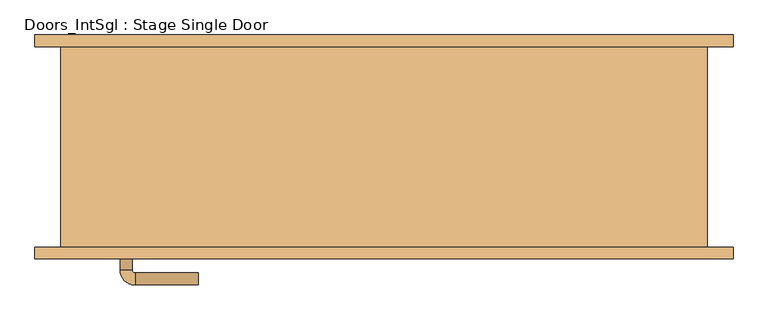
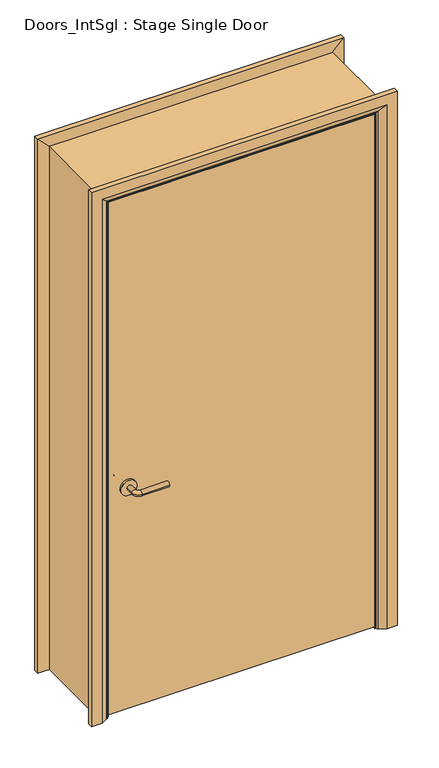
"""IFC4 building model written with IfcOpenShell, lengths in millimetres: door geometry, Doors_IntSgl : Stage Single Door."""

from ifc_helpers import new_model, si_unit, point, frame, frame_2d, origin, place, context, project, spatial, polyline, circle_curve, ellipse_curve, trimmed, segment, composite_curve, outline, extrude, faceted_brep, source, transform, mapped, element, save
from ifc_brep_helpers import plane_surface, cylinder_surface, revolved_surface, advanced_brep


def doors_intsgl_stage_single_door_640e1647(model_context):
    return source(origin(), model_context, "Body", "SolidModel", [
        advanced_brep(
        [(-440.0, -120.8, 900.0), (-420.0, -120.8, 900.0), (-440.0, -90.8, 900.0), (-420.0, -90.8, 900.0), (-415.0, -85.8, 900.0), (-415.0, -65.8, 900.0), (-310.0, -65.8, 900.0), (-310.0, -85.8, 900.0)],
        [
            (0, 1, circle_curve(frame((-430.0, -120.8, 900.0), z_axis=(0.0, -1.0, 0.0), x_axis=(1.0, 0.0, 0.0)), 10.0)),
            (1, 0, circle_curve(frame((-430.0, -120.8, 900.0), z_axis=(0.0, -1.0, 0.0), x_axis=(1.0, 0.0, 0.0)), 10.0)),
            (0, 2),
            (2, 3, circle_curve(frame((-430.0, -90.8, 900.0), z_axis=(0.0, -1.0, 0.0), x_axis=(1.0, 0.0, 0.0)), 10.0)),
            (3, 1),
            (3, 2, circle_curve(frame((-430.0, -90.8, 900.0), z_axis=(0.0, -1.0, 0.0), x_axis=(1.0, 0.0, 0.0)), 10.0)),
            (4, 3, circle_curve(frame((-415.0, -90.8, 900.0), z_axis=(0.0, 0.0, 1.0), x_axis=(-1.0, 0.0, 0.0)), 5.0)),
            (2, 5, circle_curve(frame((-415.0, -90.8, 900.0), z_axis=(0.0, 0.0, -1.0), x_axis=(-1.0, 0.0, 0.0)), 25.0)),
            (5, 4, circle_curve(frame((-415.0, -75.8, 900.0), z_axis=(-1.0, 0.0, 0.0), x_axis=(0.0, -1.0, 0.0)), 10.0)),
            (4, 5, circle_curve(frame((-415.0, -75.8, 900.0), z_axis=(-1.0, 0.0, 0.0), x_axis=(0.0, -1.0, 0.0)), 10.0)),
            (6, 7, circle_curve(frame((-310.0, -75.8, 900.0), z_axis=(1.0, 0.0, 0.0), x_axis=(0.0, -1.0, 0.0)), 10.0)),
            (7, 6, circle_curve(frame((-310.0, -75.8, 900.0), z_axis=(1.0, 0.0, 0.0), x_axis=(0.0, -1.0, 0.0)), 10.0)),
            (5, 6),
            (7, 4),
        ],
        [
            plane_surface(frame((-430.0, -120.8, 900.0), z_axis=(0.0, -1.0, 0.0), x_axis=(0.0, 0.0, 1.0))),
            cylinder_surface(frame((-430.0, -120.8, 900.0), z_axis=(0.0, -1.0, 0.0), x_axis=(1.0, 0.0, 0.0)), 10.0),
            revolved_surface(trimmed(ellipse_curve(frame((-430.0, -90.8, 900.0), z_axis=(0.0, -1.0, 0.0), x_axis=(1.0, 0.0, 0.0)), 10.0, 10.0), [point((-440.0, -90.8, 900.0))], [point((-420.0, -90.8, 900.0))], True, "CARTESIAN"), (-415.0, -90.8, 900.0), (0.0, 0.0, -1.0)),
            revolved_surface(trimmed(ellipse_curve(frame((-430.0, -90.8, 900.0), z_axis=(0.0, -1.0, 0.0), x_axis=(1.0, 0.0, 0.0)), 10.0, 10.0), [point((-420.0, -90.8, 900.0))], [point((-440.0, -90.8, 900.0))], True, "CARTESIAN"), (-415.0, -90.8, 900.0), (0.0, 0.0, -1.0)),
            plane_surface(frame((-310.0, -75.8, 900.0), z_axis=(1.0, 0.0, 0.0), x_axis=(0.0, 0.0, 1.0))),
            cylinder_surface(frame((-415.0, -75.8, 900.0), z_axis=(-1.0, 0.0, 0.0), x_axis=(0.0, -1.0, 0.0)), 10.0),
        ],
        [
            (0, [[1, 2]]),
            (1, [[-1, 3, 4, 5]]),
            (1, [[-2, -5, 6, -3]]),
            (2, [[7, -4, 8, 9]]),
            (3, [[-8, -6, -7, 10]]),
            (4, [[11, 12]]),
            (5, [[-9, 13, -12, 14]]),
            (5, [[-10, -14, -11, -13]]),
        ],
    ),
        extrude(outline(composite_curve([segment(trimmed(circle_curve(frame_2d((900.0, -432.5)), 30.0), [point((900.0, -462.5))], [point((900.0, -402.5))], False, "CARTESIAN"), True, "CONTINUOUS"), segment(trimmed(circle_curve(frame_2d((900.0, -432.5)), 30.0), [point((900.0, -402.5))], [point((900.0, -462.5))], False, "CARTESIAN"), True, "CONTINUOUS")], self_intersect=False)), frame((0.0, -128.8, 0.0), z_axis=(0.0, 1.0, 0.0), x_axis=(0.0, 0.0, 1.0)), (0.0, 0.0, 1.0), 8.0),
        advanced_brep(
        [(-440.0, -174.8, 900.0), (-420.0, -174.8, 900.0), (-420.0, -204.8, 900.0), (-440.0, -204.8, 900.0), (-415.0, -209.8, 900.0), (-415.0, -229.8, 900.0), (-310.0, -229.8, 900.0), (-310.0, -209.8, 900.0)],
        [
            (0, 1, circle_curve(frame((-430.0, -174.8, 900.0), z_axis=(0.0, 1.0, 0.0), x_axis=(1.0, 0.0, 0.0)), 10.0)),
            (1, 0, circle_curve(frame((-430.0, -174.8, 900.0), z_axis=(0.0, 1.0, 0.0), x_axis=(1.0, 0.0, 0.0)), 10.0)),
            (1, 2),
            (2, 3, circle_curve(frame((-430.0, -204.8, 900.0), z_axis=(0.0, 1.0, 0.0), x_axis=(1.0, 0.0, 0.0)), 10.0)),
            (3, 0),
            (3, 2, circle_curve(frame((-430.0, -204.8, 900.0), z_axis=(0.0, 1.0, 0.0), x_axis=(1.0, 0.0, 0.0)), 10.0)),
            (4, 5, circle_curve(frame((-415.0, -219.8, 900.0), z_axis=(-1.0, 0.0, 0.0), x_axis=(0.0, 1.0, 0.0)), 10.0)),
            (5, 3, circle_curve(frame((-415.0, -204.8, 900.0), z_axis=(0.0, 0.0, -1.0), x_axis=(-1.0, 0.0, 0.0)), 25.0)),
            (2, 4, circle_curve(frame((-415.0, -204.8, 900.0), z_axis=(0.0, 0.0, 1.0), x_axis=(-1.0, 0.0, 0.0)), 5.0)),
            (5, 4, circle_curve(frame((-415.0, -219.8, 900.0), z_axis=(-1.0, 0.0, 0.0), x_axis=(0.0, 1.0, 0.0)), 10.0)),
            (6, 7, circle_curve(frame((-310.0, -219.8, 900.0), z_axis=(1.0, 0.0, 0.0), x_axis=(0.0, 1.0, 0.0)), 10.0)),
            (7, 6, circle_curve(frame((-310.0, -219.8, 900.0), z_axis=(1.0, 0.0, 0.0), x_axis=(0.0, 1.0, 0.0)), 10.0)),
            (4, 7),
            (6, 5),
        ],
        [
            plane_surface(frame((-430.0, -174.8, 900.0), z_axis=(0.0, 1.0, 0.0), x_axis=(0.0, 0.0, 1.0))),
            cylinder_surface(frame((-430.0, -174.8, 900.0), z_axis=(0.0, 1.0, 0.0), x_axis=(1.0, 0.0, 0.0)), 10.0),
            revolved_surface(trimmed(ellipse_curve(frame((-430.0, -204.8, 900.0), z_axis=(0.0, -1.0, 0.0), x_axis=(1.0, 0.0, 0.0)), 10.0, 10.0), [point((-440.0, -204.8, 900.0))], [point((-420.0, -204.8, 900.0))], True, "CARTESIAN"), (-415.0, -204.8, 900.0), (0.0, 0.0, -1.0)),
            revolved_surface(trimmed(ellipse_curve(frame((-430.0, -204.8, 900.0), z_axis=(0.0, -1.0, 0.0), x_axis=(1.0, 0.0, 0.0)), 10.0, 10.0), [point((-420.0, -204.8, 900.0))], [point((-440.0, -204.8, 900.0))], True, "CARTESIAN"), (-415.0, -204.8, 900.0), (0.0, 0.0, -1.0)),
            plane_surface(frame((-310.0, -219.8, 900.0), z_axis=(1.0, 0.0, 0.0), x_axis=(0.0, 0.0, 1.0))),
            cylinder_surface(frame((-415.0, -219.8, 900.0), z_axis=(-1.0, 0.0, 0.0), x_axis=(0.0, 1.0, 0.0)), 10.0),
        ],
        [
            (0, [[1, 2]]),
            (1, [[3, 4, 5, -2]]),
            (1, [[-5, 6, -3, -1]]),
            (2, [[7, 8, -4, 9]]),
            (3, [[10, -9, -6, -8]]),
            (4, [[11, 12]]),
            (5, [[13, -11, 14, -7]]),
            (5, [[-14, -12, -13, -10]]),
        ],
    ),
        extrude(outline(composite_curve([segment(trimmed(circle_curve(frame_2d((900.0, -432.5)), 30.0), [point((900.0, -462.5))], [point((900.0, -402.5))], False, "CARTESIAN"), True, "CONTINUOUS"), segment(trimmed(circle_curve(frame_2d((900.0, -432.5)), 30.0), [point((900.0, -402.5))], [point((900.0, -462.5))], False, "CARTESIAN"), True, "CONTINUOUS")], self_intersect=False)), frame((0.0, -174.8, 0.0), z_axis=(0.0, 1.0, 0.0), x_axis=(0.0, 0.0, 1.0)), (0.0, 0.0, 1.0), 8.0),
        extrude(outline(polyline([(505.0, -128.8), (505.0, -166.8), (-505.0, -166.8), (-505.0, -128.8), (505.0, -128.8)])), frame((0.0, 0.0, 8.0), z_axis=(0.0, 0.0, 1.0), x_axis=(1.0, 0.0, 0.0)), (0.0, 0.0, 1.0), 2060.0),
        advanced_brep(
        [(582.0, -186.8, 0.0), (542.0, -186.8, 0.0), (516.0, -172.8, 0.0), (512.0, -166.8, 0.0), (582.0, -166.8, 0.0), (582.0, -166.8, 2145.0), (582.0, -186.8, 2145.0), (512.0, -166.8, 2075.0), (-512.0, -166.8, 2075.0), (-512.0, -166.8, 0.0), (-582.0, -166.8, 0.0), (-582.0, -166.8, 2145.0), (516.0, -172.8, 2079.0), (542.0, -186.8, 2105.0), (-582.0, -186.8, 2145.0), (-582.0, -186.8, 0.0), (-542.0, -186.8, 0.0), (-542.0, -186.8, 2105.0), (-516.0, -172.8, 0.0), (-516.0, -172.8, 2079.0)],
        [
            (0, 1),
            (1, 2),
            (2, 3, circle_curve(frame((520.0, -165.8, 0.0), z_axis=(0.0, 0.0, -1.0), x_axis=(1.0, 0.0, 0.0)), 8.0622577)),
            (3, 4),
            (4, 0),
            (4, 5),
            (5, 6),
            (6, 0),
            (3, 7),
            (7, 8),
            (8, 9),
            (9, 10),
            (10, 11),
            (11, 5),
            (2, 12),
            (12, 7, ellipse_curve(frame((520.0, -165.8, 2083.0), z_axis=(0.7071067811865475, 0.0, -0.7071067811865475), x_axis=(-0.7071067811865474, 0.0, -0.7071067811865476)), 11.4017543, 8.0622577)),
            (1, 13),
            (13, 12),
            (6, 14),
            (14, 15),
            (15, 16),
            (16, 17),
            (17, 13),
            (10, 15),
            (14, 11),
            (9, 18, circle_curve(frame((-520.0, -165.8, 0.0), z_axis=(0.0, 0.0, -1.0), x_axis=(-1.0, 0.0, 0.0)), 8.0622577)),
            (18, 16),
            (19, 18),
            (8, 19, ellipse_curve(frame((-520.0, -165.8, 2083.0), z_axis=(-0.7071067811865475, 0.0, -0.7071067811865475), x_axis=(-0.7071067811865474, 0.0, 0.7071067811865476)), 11.4017543, 8.0622577)),
            (19, 17),
            (12, 19),
        ],
        [
            plane_surface(frame((512.0, -166.8, 0.0), z_axis=(0.0, 0.0, -1.0), x_axis=(0.0, 1.0, 0.0))),
            plane_surface(frame((582.0, -186.8, 0.0), z_axis=(1.0, 0.0, 0.0), x_axis=(0.0, 0.0, 1.0))),
            plane_surface(frame((582.0, -166.8, 0.0), z_axis=(0.0, 1.0, 0.0), x_axis=(0.0, 0.0, 1.0))),
            cylinder_surface(frame((520.0, -165.8, 0.0), z_axis=(0.0, 0.0, -1.0), x_axis=(1.0, 0.0, 0.0)), 8.0622577),
            plane_surface(frame((516.0, -172.8, 0.0), z_axis=(-0.4740998230350126, -0.880471099922178, 0.0), x_axis=(0.0, 0.0, 1.0))),
            plane_surface(frame((542.0, -186.8, 0.0), z_axis=(0.0, -1.0, 0.0), x_axis=(0.0, 0.0, 1.0))),
            plane_surface(frame((-582.0, -186.8, 2145.0), z_axis=(-1.0, 0.0, 0.0), x_axis=(0.0, 0.0, -1.0))),
            plane_surface(frame((-512.0, -166.8, 0.0), z_axis=(0.0, 0.0, -1.0), x_axis=(0.0, 1.0, 0.0))),
            cylinder_surface(frame((-520.0, -165.8, 2075.0), z_axis=(0.0, 0.0, 1.0), x_axis=(-1.0, 0.0, 0.0)), 8.0622577),
            plane_surface(frame((-516.0, -172.8, 2079.0), z_axis=(0.47409982303501824, -0.8804710999221749, 0.0), x_axis=(0.0, 0.0, -1.0))),
            plane_surface(frame((582.0, -186.8, 2145.0), z_axis=(0.0, 0.0, 1.0), x_axis=(-1.0, 0.0, 0.0))),
            cylinder_surface(frame((512.0, -165.8, 2083.0), z_axis=(1.0, 0.0, 0.0), x_axis=(0.0, 0.0, 1.0)), 8.0622577),
            plane_surface(frame((516.0, -172.8, 2079.0), z_axis=(0.0, -0.8804710999221764, -0.4740998230350154), x_axis=(-1.0, 0.0, 0.0))),
        ],
        [
            (0, [[1, 2, 3, 4, 5]]),
            (1, [[6, 7, 8, -5]]),
            (2, [[9, 10, 11, 12, 13, 14, -6, -4]]),
            (3, [[15, 16, -9, -3]]),
            (4, [[17, 18, -15, -2]]),
            (5, [[-8, 19, 20, 21, 22, 23, -17, -1]]),
            (6, [[-13, 24, -20, 25]]),
            (7, [[-24, -12, 26, 27, -21]]),
            (8, [[28, -26, -11, 29]]),
            (9, [[-22, -27, -28, 30]]),
            (10, [[-14, -25, -19, -7]]),
            (11, [[31, -29, -10, -16]]),
            (12, [[-23, -30, -31, -18]]),
        ],
    ),
        extrude(outline(polyline([(0.0, -488.0), (2051.0, -488.0), (2051.0, 488.0), (0.0, 488.0), (0.0, 507.0), (2070.0, 507.0), (2070.0, -507.0), (0.0, -507.0), (0.0, -488.0)])), frame((0.0, -126.8, 0.0), z_axis=(0.0, 1.0, 0.0), x_axis=(0.0, 0.0, 1.0)), (0.0, 0.0, 1.0), 32.0),
        advanced_brep(
        [(-582.0, 186.8, 0.0), (-542.0, 186.8, 0.0), (-516.0, 172.8, 0.0), (-512.0, 166.8, 0.0), (-582.0, 166.8, 0.0), (-582.0, 166.8, 2145.0), (-582.0, 186.8, 2145.0), (-512.0, 166.8, 2075.0), (-516.0, 172.8, 2079.0), (-542.0, 186.8, 2105.0), (582.0, 186.8, 0.0), (582.0, 166.8, 0.0), (512.0, 166.8, 0.0), (516.0, 172.8, 0.0), (542.0, 186.8, 0.0), (582.0, 186.8, 2145.0), (542.0, 186.8, 2105.0), (516.0, 172.8, 2079.0), (512.0, 166.8, 2075.0), (582.0, 166.8, 2145.0)],
        [
            (0, 1),
            (1, 2),
            (2, 3, circle_curve(frame((-520.0, 165.8, 0.0), z_axis=(0.0, 0.0, -1.0), x_axis=(-1.0, 0.0, 0.0)), 8.0622577)),
            (3, 4),
            (4, 0),
            (4, 5),
            (5, 6),
            (6, 0),
            (3, 7),
            (7, 5),
            (2, 8),
            (8, 7, ellipse_curve(frame((-520.0, 165.8, 2083.0), z_axis=(-0.7071067811865475, 0.0, -0.7071067811865475), x_axis=(0.7071067811865474, 0.0, -0.7071067811865476)), 11.4017543, 8.0622577)),
            (1, 9),
            (9, 8),
            (6, 9),
            (10, 11),
            (11, 12),
            (12, 13, circle_curve(frame((520.0, 165.8, 0.0), z_axis=(0.0, 0.0, -1.0), x_axis=(1.0, 0.0, 0.0)), 8.0622577)),
            (13, 14),
            (14, 10),
            (15, 10),
            (14, 16),
            (16, 15),
            (13, 17),
            (17, 16),
            (12, 18),
            (18, 17, ellipse_curve(frame((520.0, 165.8, 2083.0), z_axis=(0.7071067811865475, 0.0, -0.7071067811865475), x_axis=(0.7071067811865474, 0.0, 0.7071067811865476)), 11.4017543, 8.0622577)),
            (11, 19),
            (19, 18),
            (15, 19),
            (5, 19),
            (15, 6),
            (7, 18),
            (8, 17),
            (9, 16),
        ],
        [
            plane_surface(frame((-512.0, 239.6010989, 0.0), z_axis=(0.0, 0.0, -1.0), x_axis=(1.0, 0.0, 0.0))),
            plane_surface(frame((-582.0, 186.8, 0.0), z_axis=(-1.0, 0.0, 0.0), x_axis=(0.0, 0.0, 1.0))),
            plane_surface(frame((-582.0, 166.8, 0.0), z_axis=(0.0, -1.0, 0.0), x_axis=(0.0, 0.0, 1.0))),
            cylinder_surface(frame((-520.0, 165.8, 0.0), z_axis=(0.0, 0.0, -1.0), x_axis=(-1.0, 0.0, 0.0)), 8.0622577),
            plane_surface(frame((-516.0, 172.8, 0.0), z_axis=(0.4740998230350183, 0.8804710999221749, 0.0), x_axis=(0.0, 0.0, 1.0))),
            plane_surface(frame((-542.0, 186.8, 0.0), z_axis=(0.0, 1.0, 0.0), x_axis=(0.0, 0.0, 1.0))),
            plane_surface(frame((512.0, 239.6010989, 0.0), z_axis=(0.0, 0.0, -1.0), x_axis=(-1.0, 0.0, 0.0))),
            plane_surface(frame((542.0, 186.8, 2105.0), z_axis=(0.0, 1.0, 0.0), x_axis=(0.0, 0.0, -1.0))),
            plane_surface(frame((516.0, 172.8, 2079.0), z_axis=(-0.4740998230350183, 0.8804710999221749, 0.0), x_axis=(0.0, 0.0, -1.0))),
            cylinder_surface(frame((520.0, 165.8, 2075.0), z_axis=(0.0, 0.0, 1.0), x_axis=(1.0, 0.0, 0.0)), 8.0622577),
            plane_surface(frame((582.0, 166.8, 2145.0), z_axis=(0.0, -1.0, 0.0), x_axis=(0.0, 0.0, -1.0))),
            plane_surface(frame((582.0, 186.8, 2145.0), z_axis=(1.0, 0.0, 0.0), x_axis=(0.0, 0.0, -1.0))),
            plane_surface(frame((-582.0, 186.8, 2145.0), z_axis=(0.0, 0.0, 1.0), x_axis=(1.0, 0.0, 0.0))),
            plane_surface(frame((-582.0, 166.8, 2145.0), z_axis=(0.0, -1.0, 0.0), x_axis=(1.0, 0.0, 0.0))),
            cylinder_surface(frame((-512.0, 165.8, 2083.0), z_axis=(-1.0, 0.0, 0.0), x_axis=(0.0, 0.0, 1.0)), 8.0622577),
            plane_surface(frame((-516.0, 172.8, 2079.0), z_axis=(0.0, 0.8804710999221749, -0.4740998230350183), x_axis=(1.0, 0.0, 0.0))),
            plane_surface(frame((-542.0, 186.8, 2105.0), z_axis=(0.0, 1.0, 0.0), x_axis=(1.0, 0.0, 0.0))),
        ],
        [
            (0, [[1, 2, 3, 4, 5]]),
            (1, [[6, 7, 8, -5]]),
            (2, [[9, 10, -6, -4]]),
            (3, [[11, 12, -9, -3]]),
            (4, [[13, 14, -11, -2]]),
            (5, [[-8, 15, -13, -1]]),
            (6, [[16, 17, 18, 19, 20]]),
            (7, [[21, -20, 22, 23]]),
            (8, [[-22, -19, 24, 25]]),
            (9, [[-24, -18, 26, 27]]),
            (10, [[-26, -17, 28, 29]]),
            (11, [[-28, -16, -21, 30]]),
            (12, [[31, -30, 32, -7]]),
            (13, [[33, -29, -31, -10]]),
            (14, [[34, -27, -33, -12]]),
            (15, [[35, -25, -34, -14]]),
            (16, [[-32, -23, -35, -15]]),
        ],
    ),
        faceted_brep([(-507.0, -166.8, 0.0), (-539.0, -166.8, 0.0), (-539.0, 166.8, 0.0), (-507.0, 166.8, 0.0), (-507.0, 166.8, 2070.0), (-507.0, -166.8, 2070.0), (-539.0, 166.8, 2102.0), (-539.0, -166.8, 2102.0), (507.0, -166.8, 0.0), (507.0, 166.8, 0.0), (539.0, 166.8, 0.0), (539.0, -166.8, 0.0), (507.0, -166.8, 2070.0), (539.0, -166.8, 2102.0), (539.0, 166.8, 2102.0), (507.0, 166.8, 2070.0)], [[[0, 1, 2, 3]], [[3, 4, 5, 0]], [[2, 6, 4, 3]], [[1, 7, 6, 2]], [[0, 5, 7, 1]], [[8, 9, 10, 11]], [[12, 8, 11, 13]], [[13, 11, 10, 14]], [[14, 10, 9, 15]], [[15, 9, 8, 12]], [[4, 15, 12, 5]], [[6, 14, 15, 4]], [[7, 13, 14, 6]], [[5, 12, 13, 7]]]),
    ])


if __name__ == "__main__":
    model = new_model("IFC4")
    model_context = context("Model", 3, world=origin())
    ifc_project = project(units=[si_unit("LENGTHUNIT", "METRE", prefix="MILLI")], contexts=[model_context])
    site = spatial("IfcSite", under=ifc_project)
    building = spatial("IfcBuilding", under=site)
    placement = place(None, origin())
    doors_intsgl_stage_single_door_shape = doors_intsgl_stage_single_door_640e1647(model_context)
    element("IfcDoor", 1, ObjectType="Doors_IntSgl : Stage Single Door", at=placement, inside=building, context=model_context, shape_type="MappedRepresentation", body=[
        mapped(doors_intsgl_stage_single_door_shape, transform((0.0, 0.0, 0.0), x_axis=(1.0, 0.0, 0.0), y_axis=(0.0, 1.0, 0.0), z_axis=(0.0, 0.0, 1.0))),
    ])
    save(model, "model.ifc")
